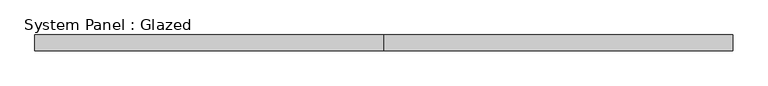
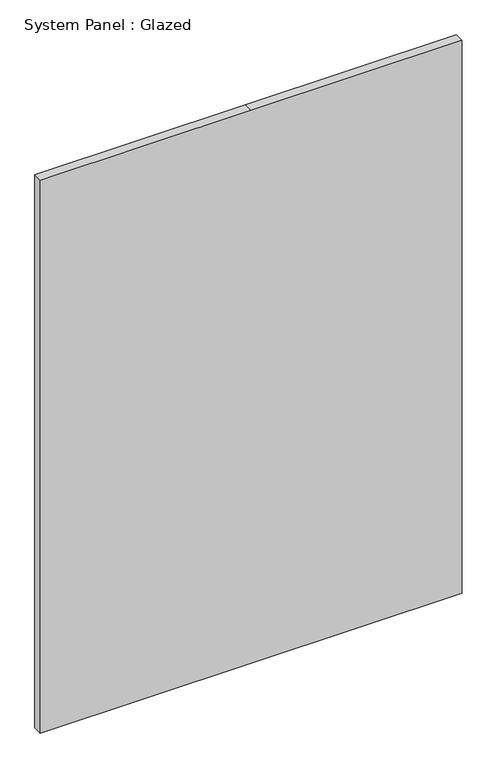
"""IFC4 building model written with IfcOpenShell, lengths in millimetres: plate geometry, System Panel : Glazed."""

from ifc_helpers import new_model, si_unit, frame, origin, place, context, project, spatial, polyline, outline, extrude, source, transform, mapped, element, save


def system_panel_glazed_639233ed(model_context):
    return source(origin(), model_context, "Body", "SweptSolid", [
        extrude(outline(polyline([(0.0, -558.8), (0.0, 0.0), (0.0, 558.8), (1549.4, 558.8), (1549.4, 0.0), (1549.4, -558.8), (0.0, -558.8)])), frame((0.0, -12.7, 0.0), z_axis=(0.0, 1.0, 0.0), x_axis=(0.0, 0.0, 1.0)), (0.0, 0.0, 1.0), 25.4),
    ])


if __name__ == "__main__":
    model = new_model("IFC4")
    model_context = context("Model", 3, world=origin())
    ifc_project = project(units=[si_unit("LENGTHUNIT", "METRE", prefix="MILLI")], contexts=[model_context])
    site = spatial("IfcSite", under=ifc_project)
    building = spatial("IfcBuilding", under=site)
    placement = place(None, origin())
    system_panel_glazed_shape = system_panel_glazed_639233ed(model_context)
    element("IfcPlate", 1, ObjectType="System Panel : Glazed", at=placement, inside=building, context=model_context, shape_type="MappedRepresentation", body=[
        mapped(system_panel_glazed_shape, transform((0.0, 0.0, 0.0), x_axis=(1.0, 0.0, 0.0), y_axis=(0.0, 1.0, 0.0), z_axis=(0.0, 0.0, 1.0))),
    ])
    save(model, "model.ifc")
